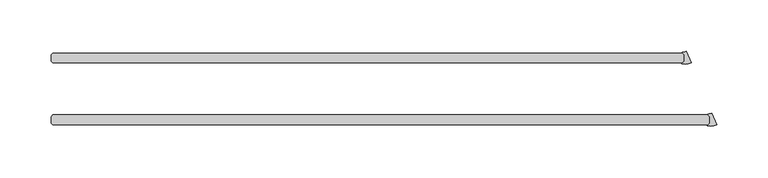
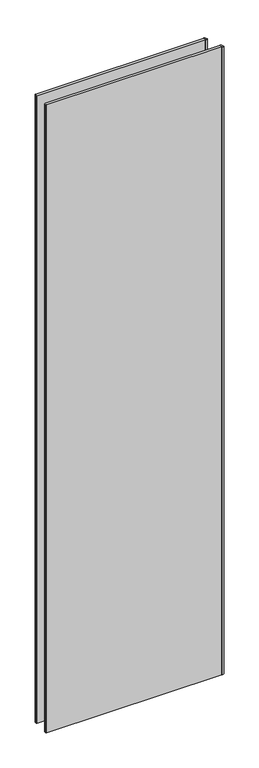
"""IFC4 building model written with IfcOpenShell, lengths in millimetres: plate geometry."""

from ifc_helpers import new_model, si_unit, point, frame_2d, origin, origin_with_axes, place, context, project, spatial, polyline, circle_curve, trimmed, segment, composite_curve, outline, extrude, source, transform, mapped, element, save


def plate_502e528b(model_context):
    return source(origin(), model_context, "Body", "SweptSolid", [
        extrude(outline(composite_curve([segment(trimmed(circle_curve(frame_2d((325.462995, -18.5950115)), 17.6705863), [point((331.659972, -35.1433375))], [point((322.9799997, -36.0902781))], False, "CARTESIAN"), True, "CONTINUOUS"), segment(trimmed(circle_curve(frame_2d((323.0357669, -35.6973407)), 0.396875), [point((322.9799997, -36.0902781))], [point((322.7551339, -35.4167077))], False, "CARTESIAN"), True, "CONTINUOUS"), segment(polyline([(322.7551339, -35.4167077), (324.8343416, -33.3375), (324.8343416, -26.9875), (323.1278746, -25.2810331)]), True, "CONTINUOUS"), segment(trimmed(circle_curve(frame_2d((323.4085076, -25.0004)), 0.396875), [point((323.1278746, -25.2810331))], [point((323.4004278, -24.6036073))], False, "CARTESIAN"), True, "CONTINUOUS"), segment(trimmed(circle_curve(frame_2d((323.2331067, -16.386585)), 8.2187257), [point((323.4004278, -24.6036073))], [point((326.9309388, -23.7264413))], True, "CARTESIAN"), True, "CONTINUOUS"), segment(polyline([(326.9309388, -23.7264413), (331.659972, -35.1433375)]), True, "CONTINUOUS")], self_intersect=False)), origin_with_axes(), (0.0, 0.0, 1.0), 2417.7625023),
        extrude(outline(composite_curve([segment(trimmed(circle_curve(frame_2d((300.4755618, 41.7299885)), 17.6705863), [point((306.6725389, 25.1816625))], [point((297.9925665, 24.2347219))], False, "CARTESIAN"), True, "CONTINUOUS"), segment(trimmed(circle_curve(frame_2d((298.0483337, 24.6276593)), 0.396875), [point((297.9925665, 24.2347219))], [point((297.7677007, 24.9082923))], False, "CARTESIAN"), True, "CONTINUOUS"), segment(polyline([(297.7677007, 24.9082923), (299.8469084, 26.9875), (299.8469084, 33.3375), (298.1404415, 35.0439669)]), True, "CONTINUOUS"), segment(trimmed(circle_curve(frame_2d((298.4210745, 35.3246)), 0.396875), [point((298.1404415, 35.0439669))], [point((298.4129947, 35.7213927))], False, "CARTESIAN"), True, "CONTINUOUS"), segment(trimmed(circle_curve(frame_2d((298.2456736, 43.938415)), 8.2187257), [point((298.4129947, 35.7213927))], [point((301.9435056, 36.5985587))], True, "CARTESIAN"), True, "CONTINUOUS"), segment(polyline([(301.9435056, 36.5985587), (306.6725389, 25.1816625)]), True, "CONTINUOUS")], self_intersect=False)), origin_with_axes(), (0.0, 0.0, 1.0), 2417.7625023),
        extrude(outline(polyline([(298.2594084, 25.4), (-315.515625, 25.4), (-317.103125, 26.9875), (-317.103125, 33.3375), (-315.515625, 34.925), (298.2594084, 34.925), (299.8469084, 33.3375), (299.8469084, 26.9875), (298.2594084, 25.4)])), origin_with_axes(), (0.0, 0.0, 1.0), 2417.7625023),
        extrude(outline(polyline([(323.2468416, -34.925), (-315.515625, -34.925), (-317.103125, -33.3375), (-317.103125, -26.9875), (-315.515625, -25.4), (323.2468416, -25.4), (324.8343416, -26.9875), (324.8343416, -33.3375), (323.2468416, -34.925)])), origin_with_axes(), (0.0, 0.0, 1.0), 2417.7625023),
    ])


if __name__ == "__main__":
    model = new_model("IFC4")
    model_context = context("Model", 3, world=origin())
    ifc_project = project(units=[si_unit("LENGTHUNIT", "METRE", prefix="MILLI")], contexts=[model_context])
    site = spatial("IfcSite", under=ifc_project)
    building = spatial("IfcBuilding", under=site)
    placement = place(None, origin())
    plate_shape = plate_502e528b(model_context)
    element("IfcPlate", 1, at=placement, inside=building, context=model_context, shape_type="MappedRepresentation", body=[
        mapped(plate_shape, transform((0.0, 0.0, 0.0), x_axis=(1.0, 0.0, 0.0), y_axis=(0.0, 1.0, 0.0), z_axis=(0.0, 0.0, 1.0))),
    ])
    save(model, "model.ifc")
